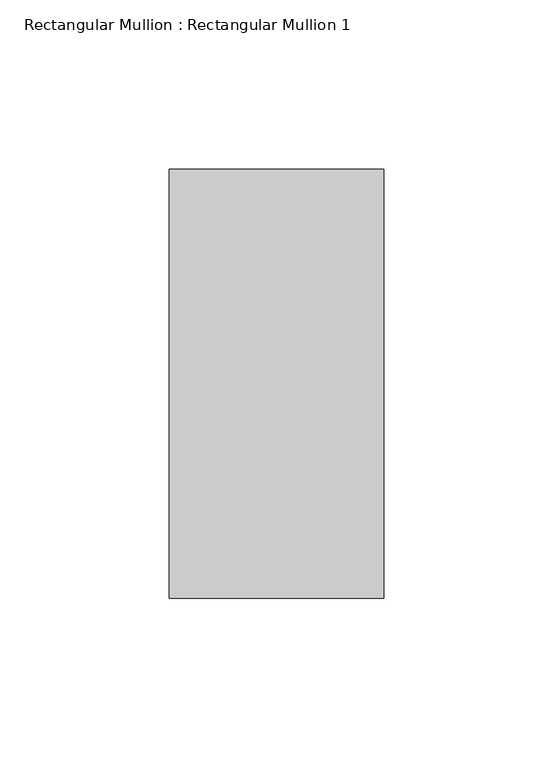
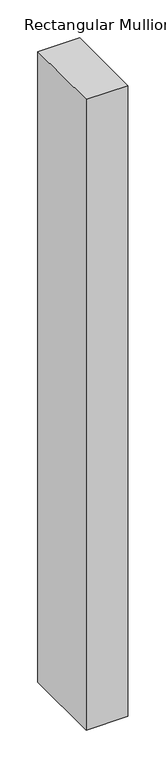
"""IFC4 building model written with IfcOpenShell, lengths in millimetres: member geometry, Rectangular Mullion : Rectangular Mullion 1."""

from ifc_helpers import new_model, si_unit, frame, origin, place, context, project, spatial, polyline, outline, extrude, source, transform, mapped, element, save


def rectangular_mullion_rectangular_mullion_1_f92b8aa2(model_context):
    return source(origin(), model_context, "Body", "SweptSolid", [
        extrude(outline(polyline([(31.75, 63.5), (31.75, -63.5), (-31.75, -63.5), (-31.75, 63.5), (31.75, 63.5)])), frame((0.0, 0.0, -1016.0), z_axis=(0.0, 0.0, 1.0), x_axis=(1.0, 0.0, 0.0)), (0.0, 0.0, 1.0), 1016.0),
    ])


if __name__ == "__main__":
    model = new_model("IFC4")
    model_context = context("Model", 3, world=origin())
    ifc_project = project(units=[si_unit("LENGTHUNIT", "METRE", prefix="MILLI")], contexts=[model_context])
    site = spatial("IfcSite", under=ifc_project)
    building = spatial("IfcBuilding", under=site)
    placement = place(None, origin())
    rectangular_mullion_rectangular_mullion_1_shape = rectangular_mullion_rectangular_mullion_1_f92b8aa2(model_context)
    element("IfcMember", 1, ObjectType="Rectangular Mullion : Rectangular Mullion 1", at=placement, inside=building, context=model_context, shape_type="MappedRepresentation", body=[
        mapped(rectangular_mullion_rectangular_mullion_1_shape, transform((0.0, 0.0, 0.0), x_axis=(1.0, 0.0, 0.0), y_axis=(0.0, 1.0, 0.0), z_axis=(0.0, 0.0, 1.0))),
    ])
    save(model, "model.ifc")
